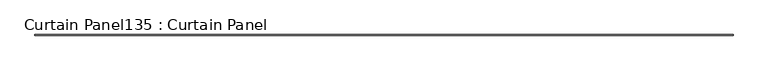
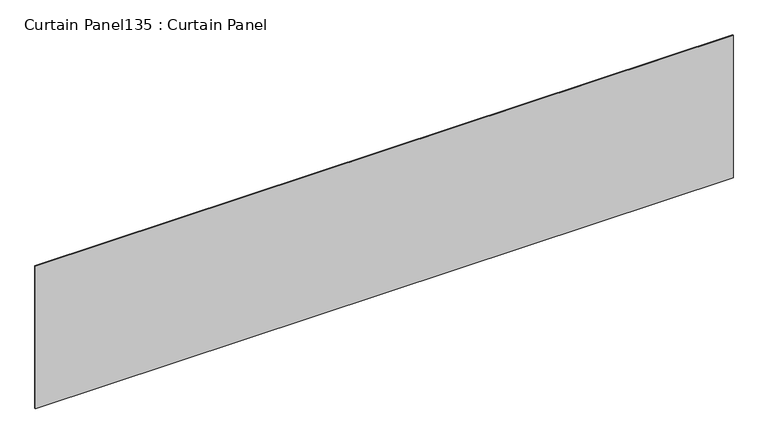
"""IFC4 building model written with IfcOpenShell, lengths in millimetres: plate geometry, Curtain Panel135 : Curtain Panel."""

from ifc_helpers import new_model, si_unit, frame, origin, place, context, project, spatial, polyline, outline, extrude, source, transform, mapped, element, save


def curtain_panel135_curtain_panel_bc520212(model_context):
    return source(origin(), model_context, "Body", "SweptSolid", [
        extrude(outline(polyline([(308907.4925793, 2040.743529), (301897.0925793, 2040.743529), (301897.0925793, 2047.093529), (308907.4925793, 2047.093529), (308907.4925793, 2040.743529)])), frame((0.0, 0.0, 5632.7163816), z_axis=(0.0, 0.0, 1.0), x_axis=(1.0, 0.0, 0.0)), (0.0, 0.0, 1.0), 1510.792),
    ])


if __name__ == "__main__":
    model = new_model("IFC4")
    model_context = context("Model", 3, world=origin())
    ifc_project = project(units=[si_unit("LENGTHUNIT", "METRE", prefix="MILLI")], contexts=[model_context])
    site = spatial("IfcSite", under=ifc_project)
    building = spatial("IfcBuilding", under=site)
    placement = place(None, origin())
    curtain_panel135_curtain_panel_shape = curtain_panel135_curtain_panel_bc520212(model_context)
    element("IfcPlate", 1, ObjectType="Curtain Panel135 : Curtain Panel", at=placement, inside=building, context=model_context, shape_type="MappedRepresentation", body=[
        mapped(curtain_panel135_curtain_panel_shape, transform((0.0, 0.0, 0.0), x_axis=(1.0, 0.0, 0.0), y_axis=(0.0, 1.0, 0.0), z_axis=(0.0, 0.0, 1.0))),
    ])
    save(model, "model.ifc")
